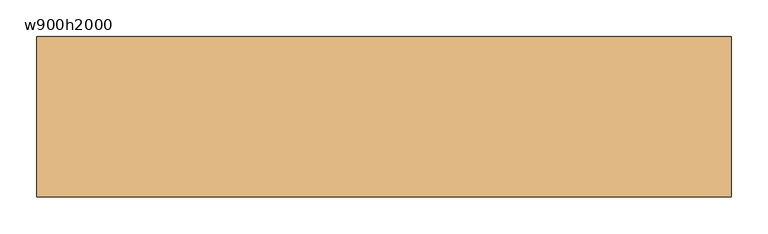
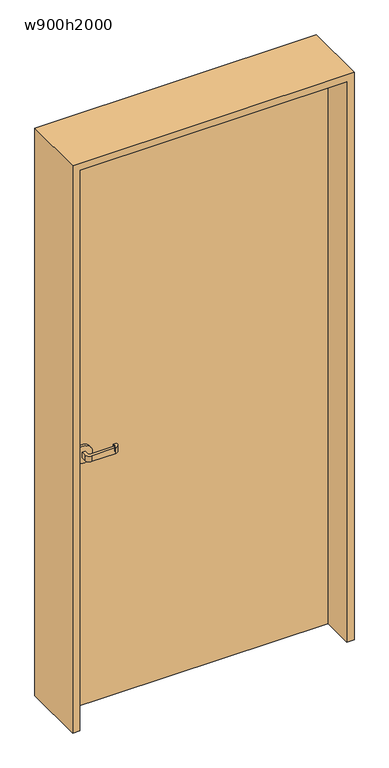
"""IFC4 building model written with IfcOpenShell, lengths in millimetres: door geometry, w900h2000."""

from ifc_helpers import new_model, si_unit, point, frame, frame_2d, origin, origin_with_axes, place, context, project, spatial, polyline, circle_curve, trimmed, segment, composite_curve, outline, extrude, source, transform, mapped, element, save


def w900h2000_8d150256(model_context):
    return source(origin(), model_context, "Body", "SweptSolid", [
        extrude(outline(polyline([(450.0, 40.0), (450.0, 0.0), (-450.0, 0.0), (-450.0, 40.0), (450.0, 40.0)])), origin_with_axes(), (0.0, 0.0, 1.0), 2000.0),
        extrude(outline(composite_curve([segment(polyline([(-375.0, 50.0), (-385.0, 50.0), (-385.0, 65.0)]), True, "CONTINUOUS"), segment(trimmed(circle_curve(frame_2d((-370.0, 65.0)), 15.0), [point((-385.0, 65.0))], [point((-370.0, 80.0))], False, "CARTESIAN"), True, "CONTINUOUS"), segment(polyline([(-370.0, 80.0), (-290.0, 80.0)]), True, "CONTINUOUS"), segment(trimmed(circle_curve(frame_2d((-290.0, 65.0)), 15.0), [point((-290.0, 80.0))], [point((-275.0, 65.0))], False, "CARTESIAN"), True, "CONTINUOUS"), segment(polyline([(-275.0, 65.0), (-275.0, 60.0), (-285.0, 60.0), (-285.0, 65.0)]), True, "CONTINUOUS"), segment(trimmed(circle_curve(frame_2d((-290.0, 65.0)), 5.0), [point((-285.0, 65.0))], [point((-290.0, 70.0))], True, "CARTESIAN"), True, "CONTINUOUS"), segment(polyline([(-290.0, 70.0), (-370.0, 70.0)]), True, "CONTINUOUS"), segment(trimmed(circle_curve(frame_2d((-370.0, 65.0)), 5.0), [point((-370.0, 70.0))], [point((-375.0, 65.0))], True, "CARTESIAN"), True, "CONTINUOUS"), segment(polyline([(-375.0, 65.0), (-375.0, 50.0)]), True, "CONTINUOUS")], self_intersect=False)), frame((0.0, 0.0, 890.0), z_axis=(0.0, 0.0, 1.0), x_axis=(1.0, 0.0, 0.0)), (0.0, 0.0, 1.0), 20.0),
        extrude(outline(composite_curve([segment(trimmed(circle_curve(frame_2d((900.0, -380.0)), 30.0), [point((900.0, -410.0))], [point((900.0, -350.0))], False, "CARTESIAN"), True, "CONTINUOUS"), segment(trimmed(circle_curve(frame_2d((900.0, -380.0)), 30.0), [point((900.0, -350.0))], [point((900.0, -410.0))], False, "CARTESIAN"), True, "CONTINUOUS")], self_intersect=False)), frame((0.0, 40.0, 0.0), z_axis=(0.0, 1.0, 0.0), x_axis=(0.0, 0.0, 1.0)), (0.0, 0.0, 1.0), 10.0),
        extrude(outline(composite_curve([segment(polyline([(-385.0, -10.0), (-375.0, -10.0), (-375.0, -25.0)]), True, "CONTINUOUS"), segment(trimmed(circle_curve(frame_2d((-370.0, -25.0)), 5.0), [point((-375.0, -25.0))], [point((-370.0, -30.0))], True, "CARTESIAN"), True, "CONTINUOUS"), segment(polyline([(-370.0, -30.0), (-290.0, -30.0)]), True, "CONTINUOUS"), segment(trimmed(circle_curve(frame_2d((-290.0, -25.0)), 5.0), [point((-290.0, -30.0))], [point((-285.0, -25.0))], True, "CARTESIAN"), True, "CONTINUOUS"), segment(polyline([(-285.0, -25.0), (-285.0, -20.0), (-275.0, -20.0), (-275.0, -25.0)]), True, "CONTINUOUS"), segment(trimmed(circle_curve(frame_2d((-290.0, -25.0)), 15.0), [point((-275.0, -25.0))], [point((-290.0, -40.0))], False, "CARTESIAN"), True, "CONTINUOUS"), segment(polyline([(-290.0, -40.0), (-370.0, -40.0)]), True, "CONTINUOUS"), segment(trimmed(circle_curve(frame_2d((-370.0, -25.0)), 15.0), [point((-370.0, -40.0))], [point((-385.0, -25.0))], False, "CARTESIAN"), True, "CONTINUOUS"), segment(polyline([(-385.0, -25.0), (-385.0, -10.0)]), True, "CONTINUOUS")], self_intersect=False)), frame((0.0, 0.0, 890.0), z_axis=(0.0, 0.0, 1.0), x_axis=(1.0, 0.0, 0.0)), (0.0, 0.0, 1.0), 20.0),
        extrude(outline(composite_curve([segment(trimmed(circle_curve(frame_2d((900.0, -380.0)), 30.0), [point((900.0, -410.0))], [point((900.0, -350.0))], False, "CARTESIAN"), True, "CONTINUOUS"), segment(trimmed(circle_curve(frame_2d((900.0, -380.0)), 30.0), [point((900.0, -350.0))], [point((900.0, -410.0))], False, "CARTESIAN"), True, "CONTINUOUS")], self_intersect=False)), frame((0.0, -10.0, 0.0), z_axis=(0.0, 1.0, 0.0), x_axis=(0.0, 0.0, 1.0)), (0.0, 0.0, 1.0), 10.0),
        extrude(outline(polyline([(0.0, -475.0), (0.0, -450.0), (2000.0, -450.0), (2000.0, 450.0), (0.0, 450.0), (0.0, 475.0), (2025.0, 475.0), (2025.0, -475.0), (0.0, -475.0)])), frame((0.0, -110.0, 0.0), z_axis=(0.0, 1.0, 0.0), x_axis=(0.0, 0.0, 1.0)), (0.0, 0.0, 1.0), 220.0),
    ])


if __name__ == "__main__":
    model = new_model("IFC4")
    model_context = context("Model", 3, world=origin())
    ifc_project = project(units=[si_unit("LENGTHUNIT", "METRE", prefix="MILLI")], contexts=[model_context])
    site = spatial("IfcSite", under=ifc_project)
    building = spatial("IfcBuilding", under=site)
    placement = place(None, origin())
    w900h2000_shape = w900h2000_8d150256(model_context)
    element("IfcDoor", 1, ObjectType="w900h2000", at=placement, inside=building, context=model_context, shape_type="MappedRepresentation", body=[
        mapped(w900h2000_shape, transform((0.0, 0.0, 0.0), x_axis=(1.0, 0.0, 0.0), y_axis=(0.0, 1.0, 0.0), z_axis=(0.0, 0.0, 1.0))),
    ])
    save(model, "model.ifc")
